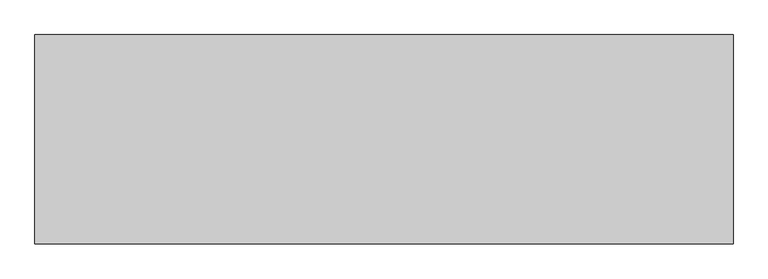
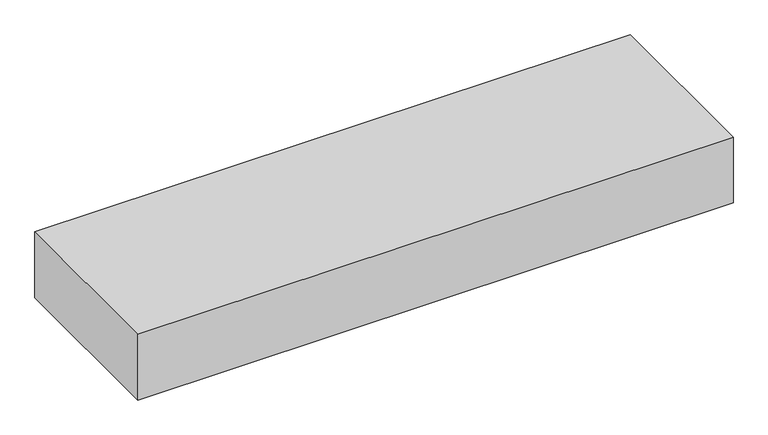
"""IFC4 building model written with IfcOpenShell, lengths in millimetres: proxy geometry."""

from ifc_helpers import new_model, si_unit, origin, origin_with_axes, place, context, project, spatial, polyline, outline, extrude, source, transform, mapped, element, save


def generic_models_f74cbf0a(model_context):
    return source(origin(), model_context, "Body", "SweptSolid", [
        extrude(outline(polyline([(762.0, 457.2), (762.0, 0.0), (-762.0, 0.0), (-762.0, 457.2), (762.0, 457.2)])), origin_with_axes(), (0.0, 0.0, 1.0), 177.8),
    ])


if __name__ == "__main__":
    model = new_model("IFC4")
    model_context = context("Model", 3, world=origin())
    ifc_project = project(units=[si_unit("LENGTHUNIT", "METRE", prefix="MILLI")], contexts=[model_context])
    site = spatial("IfcSite", under=ifc_project)
    building = spatial("IfcBuilding", under=site)
    placement = place(None, origin())
    generic_models_shape = generic_models_f74cbf0a(model_context)
    element("IfcBuildingElementProxy", 1, Name="Generic Models", at=placement, inside=building, context=model_context, shape_type="MappedRepresentation", body=[
        mapped(generic_models_shape, transform((0.0, 0.0, 0.0), x_axis=(1.0, 0.0, 0.0), y_axis=(0.0, 1.0, 0.0), z_axis=(0.0, 0.0, 1.0))),
    ])
    save(model, "model.ifc")
